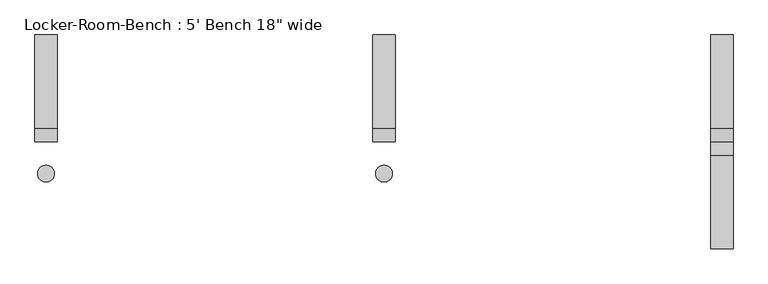
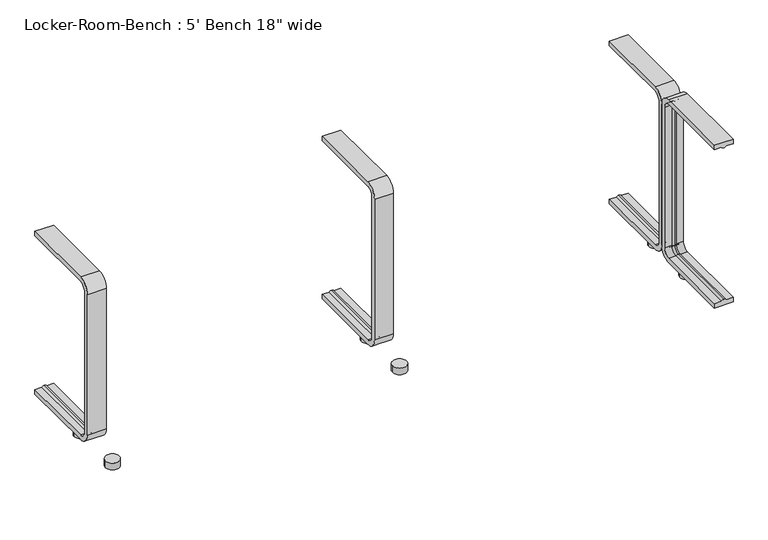
"""IFC4 building model written with IfcOpenShell, lengths in millimetres: proxy geometry."""

from ifc_helpers import new_model, si_unit, point, frame, frame_2d, origin, origin_with_axes, place, context, project, spatial, polyline, circle_curve, ellipse_curve, trimmed, segment, composite_curve, outline, extrude, source, transform, mapped, element, save
from ifc_brep_helpers import plane_surface, cylinder_surface, revolved_surface, advanced_brep


def proxy_36b13721(model_context):
    return source(origin(), model_context, "Body", "SolidModel", [
        extrude(outline(composite_curve([segment(trimmed(circle_curve(frame_2d((612.0, -57.5)), 15.0), [point((597.0, -57.5))], [point((627.0, -57.5))], False, "CARTESIAN"), True, "CONTINUOUS"), segment(trimmed(circle_curve(frame_2d((612.0, -57.5)), 15.0), [point((627.0, -57.5))], [point((597.0, -57.5))], False, "CARTESIAN"), True, "CONTINUOUS")], self_intersect=False)), origin_with_axes(), (0.0, 0.0, 1.0), 15.0),
        extrude(outline(composite_curve([segment(trimmed(circle_curve(frame_2d((612.0, 57.5)), 15.0), [point((597.0, 57.5))], [point((627.0, 57.5))], False, "CARTESIAN"), True, "CONTINUOUS"), segment(trimmed(circle_curve(frame_2d((612.0, 57.5)), 15.0), [point((627.0, 57.5))], [point((597.0, 57.5))], False, "CARTESIAN"), True, "CONTINUOUS")], self_intersect=False)), origin_with_axes(), (0.0, 0.0, 1.0), 15.0),
        extrude(outline(composite_curve([segment(trimmed(circle_curve(frame_2d((0.0, -57.5)), 15.0), [point((-15.0, -57.5))], [point((15.0, -57.5))], False, "CARTESIAN"), True, "CONTINUOUS"), segment(trimmed(circle_curve(frame_2d((0.0, -57.5)), 15.0), [point((15.0, -57.5))], [point((-15.0, -57.5))], False, "CARTESIAN"), True, "CONTINUOUS")], self_intersect=False)), origin_with_axes(), (0.0, 0.0, 1.0), 15.0),
        extrude(outline(composite_curve([segment(trimmed(circle_curve(frame_2d((0.0, 57.5)), 15.0), [point((-15.0, 57.5))], [point((15.0, 57.5))], False, "CARTESIAN"), True, "CONTINUOUS"), segment(trimmed(circle_curve(frame_2d((0.0, 57.5)), 15.0), [point((15.0, 57.5))], [point((-15.0, 57.5))], False, "CARTESIAN"), True, "CONTINUOUS")], self_intersect=False)), origin_with_axes(), (0.0, 0.0, 1.0), 15.0),
        extrude(outline(composite_curve([segment(trimmed(circle_curve(frame_2d((-612.0, -57.5)), 15.0), [point((-627.0, -57.5))], [point((-597.0, -57.5))], False, "CARTESIAN"), True, "CONTINUOUS"), segment(trimmed(circle_curve(frame_2d((-612.0, -57.5)), 15.0), [point((-597.0, -57.5))], [point((-627.0, -57.5))], False, "CARTESIAN"), True, "CONTINUOUS")], self_intersect=False)), origin_with_axes(), (0.0, 0.0, 1.0), 15.0),
        extrude(outline(composite_curve([segment(trimmed(circle_curve(frame_2d((-612.0, 57.5)), 15.0), [point((-627.0, 57.5))], [point((-597.0, 57.5))], False, "CARTESIAN"), True, "CONTINUOUS"), segment(trimmed(circle_curve(frame_2d((-612.0, 57.5)), 15.0), [point((-597.0, 57.5))], [point((-627.0, 57.5))], False, "CARTESIAN"), True, "CONTINUOUS")], self_intersect=False)), origin_with_axes(), (0.0, 0.0, 1.0), 15.0),
        advanced_brep(
        [(632.0, 193.6, 381.4), (632.0, 193.6, 371.4), (617.0, 193.6, 371.4), (612.0, 193.6, 369.0684617), (607.0, 193.6, 371.4), (592.0, 193.6, 371.4), (592.0, 193.6, 381.4), (632.0, 25.0, 381.4), (632.0, 0.0, 356.4), (632.0, 0.0, 40.0), (632.0, 25.0, 15.0), (632.0, 193.6, 15.0), (632.0, 193.6, 25.0), (632.0, 25.0, 25.0), (632.0, 10.0, 40.0), (632.0, 10.0, 356.4), (632.0, 25.0, 371.4), (617.0, 25.0, 371.4), (612.0, 25.0, 369.0684617), (607.0, 25.0, 371.4), (592.0, 25.0, 371.4), (592.0, 10.0, 356.4), (592.0, 10.0, 40.0), (592.0, 25.0, 25.0), (592.0, 193.6, 25.0), (592.0, 193.6, 15.0), (592.0, 25.0, 15.0), (592.0, 0.0, 40.0), (592.0, 0.0, 356.4), (592.0, 25.0, 381.4), (617.0, 10.0, 356.4), (612.0, 12.3315383, 356.4), (607.0, 10.0, 356.4), (617.0, 10.0, 40.0), (612.0, 12.3315383, 40.0), (607.0, 10.0, 40.0), (617.0, 25.0, 25.0), (612.0, 25.0, 27.3315383), (607.0, 25.0, 25.0), (607.0, 193.6, 25.0), (612.0, 193.6, 27.3315383), (617.0, 193.6, 25.0)],
        [
            (0, 1),
            (1, 2),
            (2, 3, circle_curve(frame((612.2996409, 193.6, 374.9529162), z_axis=(0.0, 1.0, 0.0), x_axis=(0.0, 0.0, -1.0)), 5.8920785)),
            (3, 4, circle_curve(frame((611.7003591, 193.6, 374.9529162), z_axis=(0.0, 1.0, 0.0), x_axis=(0.0, 0.0, -1.0)), 5.8920785)),
            (4, 5),
            (5, 6),
            (6, 0),
            (0, 7),
            (7, 8, circle_curve(frame((632.0, 25.0, 356.4), z_axis=(1.0, 0.0, 0.0), x_axis=(0.0, 0.0, 1.0)), 25.0)),
            (8, 9),
            (9, 10, circle_curve(frame((632.0, 25.0, 40.0), z_axis=(1.0, 0.0, 0.0), x_axis=(0.0, -1.0, 0.0)), 25.0)),
            (10, 11),
            (11, 12),
            (12, 13),
            (13, 14, circle_curve(frame((632.0, 25.0, 40.0), z_axis=(-1.0, 0.0, 0.0), x_axis=(0.0, -1.0, 0.0)), 15.0)),
            (14, 15),
            (15, 16, circle_curve(frame((632.0, 25.0, 356.4), z_axis=(-1.0, 0.0, 0.0), x_axis=(0.0, 0.0, 1.0)), 15.0)),
            (16, 1),
            (16, 17),
            (17, 2),
            (17, 18, circle_curve(frame((612.2996409, 25.0, 374.9529162), z_axis=(0.0, 1.0, 0.0), x_axis=(0.0, 0.0, -1.0)), 5.8920785)),
            (18, 3),
            (18, 19, circle_curve(frame((611.7003591, 25.0, 374.9529162), z_axis=(0.0, 1.0, 0.0), x_axis=(0.0, 0.0, -1.0)), 5.8920785)),
            (19, 4),
            (19, 20),
            (20, 5),
            (20, 21, circle_curve(frame((592.0, 25.0, 356.4), z_axis=(1.0, 0.0, 0.0), x_axis=(0.0, 0.0, 1.0)), 15.0)),
            (21, 22),
            (22, 23, circle_curve(frame((592.0, 25.0, 40.0), z_axis=(1.0, 0.0, 0.0), x_axis=(0.0, -1.0, 0.0)), 15.0)),
            (23, 24),
            (24, 25),
            (25, 26),
            (26, 27, circle_curve(frame((592.0, 25.0, 40.0), z_axis=(-1.0, 0.0, 0.0), x_axis=(0.0, -1.0, 0.0)), 25.0)),
            (27, 28),
            (28, 29, circle_curve(frame((592.0, 25.0, 356.4), z_axis=(-1.0, 0.0, 0.0), x_axis=(0.0, 0.0, 1.0)), 25.0)),
            (29, 6),
            (29, 7),
            (30, 17, circle_curve(frame((617.0, 25.0, 356.4), z_axis=(-1.0, 0.0, 0.0), x_axis=(0.0, 0.0, 1.0)), 15.0)),
            (15, 30),
            (31, 18, circle_curve(frame((612.0, 25.0, 356.4), z_axis=(-1.0, 0.0, 0.0), x_axis=(0.0, 0.0, 1.0)), 12.6684617)),
            (30, 31, circle_curve(frame((612.2996409, 6.4470838, 356.4), z_axis=(0.0, 0.0, 1.0), x_axis=(0.0, 1.0, 0.0)), 5.8920785)),
            (32, 19, circle_curve(frame((607.0, 25.0, 356.4), z_axis=(-1.0, 0.0, 0.0), x_axis=(0.0, 0.0, 1.0)), 15.0)),
            (31, 32, circle_curve(frame((611.7003591, 6.4470838, 356.4), z_axis=(0.0, 0.0, 1.0), x_axis=(0.0, 1.0, 0.0)), 5.8920785)),
            (32, 21),
            (28, 8),
            (14, 33),
            (33, 30),
            (33, 34, circle_curve(frame((612.2996409, 6.4470838, 40.0), z_axis=(0.0, 0.0, 1.0), x_axis=(0.0, 1.0, 0.0)), 5.8920785)),
            (34, 31),
            (34, 35, circle_curve(frame((611.7003591, 6.4470838, 40.0), z_axis=(0.0, 0.0, 1.0), x_axis=(0.0, 1.0, 0.0)), 5.8920785)),
            (35, 32),
            (35, 22),
            (27, 9),
            (36, 33, circle_curve(frame((617.0, 25.0, 40.0), z_axis=(-1.0, 0.0, 0.0), x_axis=(0.0, -1.0, 0.0)), 15.0)),
            (13, 36),
            (37, 34, circle_curve(frame((612.0, 25.0, 40.0), z_axis=(-1.0, 0.0, 0.0), x_axis=(0.0, -1.0, 0.0)), 12.6684617)),
            (36, 37, circle_curve(frame((612.2996409, 25.0, 21.4470838), z_axis=(0.0, -1.0, 0.0), x_axis=(0.0, 0.0, 1.0)), 5.8920785)),
            (38, 35, circle_curve(frame((607.0, 25.0, 40.0), z_axis=(-1.0, 0.0, 0.0), x_axis=(0.0, -1.0, 0.0)), 15.0)),
            (37, 38, circle_curve(frame((611.7003591, 25.0, 21.4470838), z_axis=(0.0, -1.0, 0.0), x_axis=(0.0, 0.0, 1.0)), 5.8920785)),
            (38, 23),
            (26, 10),
            (11, 25),
            (24, 39),
            (39, 40, circle_curve(frame((611.7003591, 193.6, 21.4470838), z_axis=(0.0, 1.0, 0.0), x_axis=(0.0, 0.0, 1.0)), 5.8920785)),
            (40, 41, circle_curve(frame((612.2996409, 193.6, 21.4470838), z_axis=(0.0, 1.0, 0.0), x_axis=(0.0, 0.0, 1.0)), 5.8920785)),
            (41, 12),
            (41, 36),
            (40, 37),
            (39, 38),
        ],
        [
            plane_surface(frame((612.0, 193.6, 381.4), z_axis=(0.0, 1.0, 0.0), x_axis=(1.0, 0.0, 0.0))),
            plane_surface(frame((632.0, 193.6, 381.4), z_axis=(1.0, 0.0, 0.0), x_axis=(0.0, -1.0, 0.0))),
            plane_surface(frame((632.0, 193.6, 371.4), z_axis=(0.0, 0.0, -1.0), x_axis=(0.0, -1.0, 0.0))),
            cylinder_surface(frame((612.2996409, 193.6, 374.9529162), z_axis=(0.0, 1.0, 0.0), x_axis=(0.0, 0.0, -1.0)), 5.8920785),
            cylinder_surface(frame((611.7003591, 193.6, 374.9529162), z_axis=(0.0, 1.0, 0.0), x_axis=(0.0, 0.0, -1.0)), 5.8920785),
            plane_surface(frame((607.0, 193.6, 371.4), z_axis=(0.0, 0.0, -1.0), x_axis=(0.0, -1.0, 0.0))),
            plane_surface(frame((592.0, 193.6, 371.4), z_axis=(-1.0, 0.0, 0.0), x_axis=(0.0, -1.0, 0.0))),
            plane_surface(frame((592.0, 193.6, 381.4), z_axis=(0.0, 0.0, 1.0), x_axis=(0.0, -1.0, 0.0))),
            revolved_surface(polyline([(632.0, 25.0, 371.4), (617.0, 25.0, 371.4)]), (612.0, 25.0, 356.4), (1.0, 0.0, 0.0)),
            revolved_surface(trimmed(ellipse_curve(frame((612.2996409, 25.0, 374.9529162), z_axis=(0.0, 1.0, 0.0), x_axis=(0.0, 0.0, -1.0)), 5.8920785, 5.8920785), [point((617.0, 25.0, 371.4))], [point((612.0, 25.0, 369.0684617))], True, "CARTESIAN"), (612.0, 25.0, 356.4), (1.0, 0.0, 0.0)),
            revolved_surface(trimmed(ellipse_curve(frame((611.7003591, 25.0, 374.9529162), z_axis=(0.0, 1.0, 0.0), x_axis=(0.0, 0.0, -1.0)), 5.8920785, 5.8920785), [point((612.0, 25.0, 369.0684617))], [point((607.0, 25.0, 371.4))], True, "CARTESIAN"), (612.0, 25.0, 356.4), (1.0, 0.0, 0.0)),
            revolved_surface(polyline([(607.0, 25.0, 371.4), (592.0, 25.0, 371.4)]), (612.0, 25.0, 356.4), (1.0, 0.0, 0.0)),
            cylinder_surface(frame((612.0, 25.0, 356.4), z_axis=(1.0, 0.0, 0.0), x_axis=(0.0, 0.0, 1.0)), 25.0),
            plane_surface(frame((632.0, 10.0, 356.4), z_axis=(0.0, 1.0, 0.0), x_axis=(0.0, 0.0, -1.0))),
            cylinder_surface(frame((612.2996409, 6.4470838, 356.4), z_axis=(0.0, 0.0, 1.0), x_axis=(0.0, 1.0, 0.0)), 5.8920785),
            cylinder_surface(frame((611.7003591, 6.4470838, 356.4), z_axis=(0.0, 0.0, 1.0), x_axis=(0.0, 1.0, 0.0)), 5.8920785),
            plane_surface(frame((607.0, 10.0, 356.4), z_axis=(0.0, 1.0, 0.0), x_axis=(0.0, 0.0, -1.0))),
            plane_surface(frame((592.0, 0.0, 356.4), z_axis=(0.0, -1.0, 0.0), x_axis=(0.0, 0.0, -1.0))),
            revolved_surface(polyline([(632.0, 10.0, 40.0), (617.0, 10.0, 40.0)]), (612.0, 25.0, 40.0), (1.0, 0.0, 0.0)),
            revolved_surface(trimmed(ellipse_curve(frame((612.2996409, 6.4470838, 40.0), z_axis=(0.0, 0.0, 1.0), x_axis=(0.0, 1.0, 0.0)), 5.8920785, 5.8920785), [point((617.0, 10.0, 40.0))], [point((612.0, 12.3315383, 40.0))], True, "CARTESIAN"), (612.0, 25.0, 40.0), (1.0, 0.0, 0.0)),
            revolved_surface(trimmed(ellipse_curve(frame((611.7003591, 6.4470838, 40.0), z_axis=(0.0, 0.0, 1.0), x_axis=(0.0, 1.0, 0.0)), 5.8920785, 5.8920785), [point((612.0, 12.3315383, 40.0))], [point((607.0, 10.0, 40.0))], True, "CARTESIAN"), (612.0, 25.0, 40.0), (1.0, 0.0, 0.0)),
            revolved_surface(polyline([(607.0, 10.0, 40.0), (592.0, 10.0, 40.0)]), (612.0, 25.0, 40.0), (1.0, 0.0, 0.0)),
            cylinder_surface(frame((612.0, 25.0, 40.0), z_axis=(1.0, 0.0, 0.0), x_axis=(0.0, -1.0, 0.0)), 25.0),
            plane_surface(frame((612.0, 193.6, 15.0), z_axis=(0.0, 1.0, 0.0), x_axis=(1.0, 0.0, 0.0))),
            plane_surface(frame((632.0, 25.0, 25.0), z_axis=(0.0, 0.0, 1.0), x_axis=(0.0, 1.0, 0.0))),
            cylinder_surface(frame((612.2996409, 25.0, 21.4470838), z_axis=(0.0, -1.0, 0.0), x_axis=(0.0, 0.0, 1.0)), 5.8920785),
            cylinder_surface(frame((611.7003591, 25.0, 21.4470838), z_axis=(0.0, -1.0, 0.0), x_axis=(0.0, 0.0, 1.0)), 5.8920785),
            plane_surface(frame((607.0, 25.0, 25.0), z_axis=(0.0, 0.0, 1.0), x_axis=(0.0, 1.0, 0.0))),
            plane_surface(frame((592.0, 25.0, 15.0), z_axis=(0.0, 0.0, -1.0), x_axis=(0.0, 1.0, 0.0))),
        ],
        [
            (0, [[1, 2, 3, 4, 5, 6, 7]]),
            (1, [[-1, 8, 9, 10, 11, 12, 13, 14, 15, 16, 17, 18]]),
            (2, [[-2, -18, 19, 20]]),
            (3, [[-3, -20, 21, 22]]),
            (4, [[-4, -22, 23, 24]]),
            (5, [[-5, -24, 25, 26]]),
            (6, [[-6, -26, 27, 28, 29, 30, 31, 32, 33, 34, 35, 36]]),
            (7, [[-7, -36, 37, -8]]),
            (8, [[38, -19, -17, 39]]),
            (9, [[40, -21, -38, 41]]),
            (10, [[42, -23, -40, 43]]),
            (11, [[-27, -25, -42, 44]]),
            (12, [[-9, -37, -35, 45]]),
            (13, [[-39, -16, 46, 47]]),
            (14, [[-41, -47, 48, 49]]),
            (15, [[-43, -49, 50, 51]]),
            (16, [[-44, -51, 52, -28]]),
            (17, [[-45, -34, 53, -10]]),
            (18, [[54, -46, -15, 55]]),
            (19, [[56, -48, -54, 57]]),
            (20, [[58, -50, -56, 59]]),
            (21, [[-29, -52, -58, 60]]),
            (22, [[-11, -53, -33, 61]]),
            (23, [[62, -31, 63, 64, 65, 66, -13]]),
            (24, [[-55, -14, -66, 67]]),
            (25, [[-57, -67, -65, 68]]),
            (26, [[-59, -68, -64, 69]]),
            (27, [[-60, -69, -63, -30]]),
            (28, [[-61, -32, -62, -12]]),
        ],
    ),
        advanced_brep(
        [(20.0, 193.6, 381.4), (20.0, 193.6, 371.4), (5.0, 193.6, 371.4), (0.0, 193.6, 369.0684617), (-5.0, 193.6, 371.4), (-20.0, 193.6, 371.4), (-20.0, 193.6, 381.4), (20.0, 25.0, 381.4), (20.0, 0.0, 356.4), (20.0, 0.0, 40.0), (20.0, 25.0, 15.0), (20.0, 193.6, 15.0), (20.0, 193.6, 25.0), (20.0, 25.0, 25.0), (20.0, 10.0, 40.0), (20.0, 10.0, 356.4), (20.0, 25.0, 371.4), (5.0, 25.0, 371.4), (0.0, 25.0, 369.0684617), (-5.0, 25.0, 371.4), (-20.0, 25.0, 371.4), (-20.0, 10.0, 356.4), (-20.0, 10.0, 40.0), (-20.0, 25.0, 25.0), (-20.0, 193.6, 25.0), (-20.0, 193.6, 15.0), (-20.0, 25.0, 15.0), (-20.0, 0.0, 40.0), (-20.0, 0.0, 356.4), (-20.0, 25.0, 381.4), (5.0, 10.0, 356.4), (0.0, 12.3315383, 356.4), (-5.0, 10.0, 356.4), (5.0, 10.0, 40.0), (0.0, 12.3315383, 40.0), (-5.0, 10.0, 40.0), (5.0, 25.0, 25.0), (0.0, 25.0, 27.3315383), (-5.0, 25.0, 25.0), (-5.0, 193.6, 25.0), (0.0, 193.6, 27.3315383), (5.0, 193.6, 25.0)],
        [
            (0, 1),
            (1, 2),
            (2, 3, circle_curve(frame((0.2996409, 193.6, 374.9529162), z_axis=(0.0, 1.0, 0.0), x_axis=(0.0, 0.0, -1.0)), 5.8920785)),
            (3, 4, circle_curve(frame((-0.2996409, 193.6, 374.9529162), z_axis=(0.0, 1.0, 0.0), x_axis=(0.0, 0.0, -1.0)), 5.8920785)),
            (4, 5),
            (5, 6),
            (6, 0),
            (0, 7),
            (7, 8, circle_curve(frame((20.0, 25.0, 356.4), z_axis=(1.0, 0.0, 0.0), x_axis=(0.0, 0.0, 1.0)), 25.0)),
            (8, 9),
            (9, 10, circle_curve(frame((20.0, 25.0, 40.0), z_axis=(1.0, 0.0, 0.0), x_axis=(0.0, -1.0, 0.0)), 25.0)),
            (10, 11),
            (11, 12),
            (12, 13),
            (13, 14, circle_curve(frame((20.0, 25.0, 40.0), z_axis=(-1.0, 0.0, 0.0), x_axis=(0.0, -1.0, 0.0)), 15.0)),
            (14, 15),
            (15, 16, circle_curve(frame((20.0, 25.0, 356.4), z_axis=(-1.0, 0.0, 0.0), x_axis=(0.0, 0.0, 1.0)), 15.0)),
            (16, 1),
            (16, 17),
            (17, 2),
            (17, 18, circle_curve(frame((0.2996409, 25.0, 374.9529162), z_axis=(0.0, 1.0, 0.0), x_axis=(0.0, 0.0, -1.0)), 5.8920785)),
            (18, 3),
            (18, 19, circle_curve(frame((-0.2996409, 25.0, 374.9529162), z_axis=(0.0, 1.0, 0.0), x_axis=(0.0, 0.0, -1.0)), 5.8920785)),
            (19, 4),
            (19, 20),
            (20, 5),
            (20, 21, circle_curve(frame((-20.0, 25.0, 356.4), z_axis=(1.0, 0.0, 0.0), x_axis=(0.0, 0.0, 1.0)), 15.0)),
            (21, 22),
            (22, 23, circle_curve(frame((-20.0, 25.0, 40.0), z_axis=(1.0, 0.0, 0.0), x_axis=(0.0, -1.0, 0.0)), 15.0)),
            (23, 24),
            (24, 25),
            (25, 26),
            (26, 27, circle_curve(frame((-20.0, 25.0, 40.0), z_axis=(-1.0, 0.0, 0.0), x_axis=(0.0, -1.0, 0.0)), 25.0)),
            (27, 28),
            (28, 29, circle_curve(frame((-20.0, 25.0, 356.4), z_axis=(-1.0, 0.0, 0.0), x_axis=(0.0, 0.0, 1.0)), 25.0)),
            (29, 6),
            (29, 7),
            (30, 17, circle_curve(frame((5.0, 25.0, 356.4), z_axis=(-1.0, 0.0, 0.0), x_axis=(0.0, 0.0, 1.0)), 15.0)),
            (15, 30),
            (31, 18, circle_curve(frame((0.0, 25.0, 356.4), z_axis=(-1.0, 0.0, 0.0), x_axis=(0.0, 0.0, 1.0)), 12.6684617)),
            (30, 31, circle_curve(frame((0.2996409, 6.4470838, 356.4), z_axis=(0.0, 0.0, 1.0), x_axis=(0.0, 1.0, 0.0)), 5.8920785)),
            (32, 19, circle_curve(frame((-5.0, 25.0, 356.4), z_axis=(-1.0, 0.0, 0.0), x_axis=(0.0, 0.0, 1.0)), 15.0)),
            (31, 32, circle_curve(frame((-0.2996409, 6.4470838, 356.4), z_axis=(0.0, 0.0, 1.0), x_axis=(0.0, 1.0, 0.0)), 5.8920785)),
            (32, 21),
            (28, 8),
            (14, 33),
            (33, 30),
            (33, 34, circle_curve(frame((0.2996409, 6.4470838, 40.0), z_axis=(0.0, 0.0, 1.0), x_axis=(0.0, 1.0, 0.0)), 5.8920785)),
            (34, 31),
            (34, 35, circle_curve(frame((-0.2996409, 6.4470838, 40.0), z_axis=(0.0, 0.0, 1.0), x_axis=(0.0, 1.0, 0.0)), 5.8920785)),
            (35, 32),
            (35, 22),
            (27, 9),
            (36, 33, circle_curve(frame((5.0, 25.0, 40.0), z_axis=(-1.0, 0.0, 0.0), x_axis=(0.0, -1.0, 0.0)), 15.0)),
            (13, 36),
            (37, 34, circle_curve(frame((0.0, 25.0, 40.0), z_axis=(-1.0, 0.0, 0.0), x_axis=(0.0, -1.0, 0.0)), 12.6684617)),
            (36, 37, circle_curve(frame((0.2996409, 25.0, 21.4470838), z_axis=(0.0, -1.0, 0.0), x_axis=(0.0, 0.0, 1.0)), 5.8920785)),
            (38, 35, circle_curve(frame((-5.0, 25.0, 40.0), z_axis=(-1.0, 0.0, 0.0), x_axis=(0.0, -1.0, 0.0)), 15.0)),
            (37, 38, circle_curve(frame((-0.2996409, 25.0, 21.4470838), z_axis=(0.0, -1.0, 0.0), x_axis=(0.0, 0.0, 1.0)), 5.8920785)),
            (38, 23),
            (26, 10),
            (11, 25),
            (24, 39),
            (39, 40, circle_curve(frame((-0.2996409, 193.6, 21.4470838), z_axis=(0.0, 1.0, 0.0), x_axis=(0.0, 0.0, 1.0)), 5.8920785)),
            (40, 41, circle_curve(frame((0.2996409, 193.6, 21.4470838), z_axis=(0.0, 1.0, 0.0), x_axis=(0.0, 0.0, 1.0)), 5.8920785)),
            (41, 12),
            (41, 36),
            (40, 37),
            (39, 38),
        ],
        [
            plane_surface(frame((0.0, 193.6, 381.4), z_axis=(0.0, 1.0, 0.0), x_axis=(1.0, 0.0, 0.0))),
            plane_surface(frame((20.0, 193.6, 381.4), z_axis=(1.0, 0.0, 0.0), x_axis=(0.0, -1.0, 0.0))),
            plane_surface(frame((20.0, 193.6, 371.4), z_axis=(0.0, 0.0, -1.0), x_axis=(0.0, -1.0, 0.0))),
            cylinder_surface(frame((0.2996409, 193.6, 374.9529162), z_axis=(0.0, 1.0, 0.0), x_axis=(0.0, 0.0, -1.0)), 5.8920785),
            cylinder_surface(frame((-0.2996409, 193.6, 374.9529162), z_axis=(0.0, 1.0, 0.0), x_axis=(0.0, 0.0, -1.0)), 5.8920785),
            plane_surface(frame((-5.0, 193.6, 371.4), z_axis=(0.0, 0.0, -1.0), x_axis=(0.0, -1.0, 0.0))),
            plane_surface(frame((-20.0, 193.6, 371.4), z_axis=(-1.0, 0.0, 0.0), x_axis=(0.0, -1.0, 0.0))),
            plane_surface(frame((-20.0, 193.6, 381.4), z_axis=(0.0, 0.0, 1.0), x_axis=(0.0, -1.0, 0.0))),
            revolved_surface(polyline([(20.0, 25.0, 371.4), (5.0, 25.0, 371.4)]), (0.0, 25.0, 356.4), (1.0, 0.0, 0.0)),
            revolved_surface(trimmed(ellipse_curve(frame((0.2996409, 25.0, 374.9529162), z_axis=(0.0, 1.0, 0.0), x_axis=(0.0, 0.0, -1.0)), 5.8920785, 5.8920785), [point((5.0, 25.0, 371.4))], [point((0.0, 25.0, 369.0684617))], True, "CARTESIAN"), (0.0, 25.0, 356.4), (1.0, 0.0, 0.0)),
            revolved_surface(trimmed(ellipse_curve(frame((-0.2996409, 25.0, 374.9529162), z_axis=(0.0, 1.0, 0.0), x_axis=(0.0, 0.0, -1.0)), 5.8920785, 5.8920785), [point((0.0, 25.0, 369.0684617))], [point((-5.0, 25.0, 371.4))], True, "CARTESIAN"), (0.0, 25.0, 356.4), (1.0, 0.0, 0.0)),
            revolved_surface(polyline([(-5.0, 25.0, 371.4), (-20.0, 25.0, 371.4)]), (0.0, 25.0, 356.4), (1.0, 0.0, 0.0)),
            cylinder_surface(frame((0.0, 25.0, 356.4), z_axis=(1.0, 0.0, 0.0), x_axis=(0.0, 0.0, 1.0)), 25.0),
            plane_surface(frame((20.0, 10.0, 356.4), z_axis=(0.0, 1.0, 0.0), x_axis=(0.0, 0.0, -1.0))),
            cylinder_surface(frame((0.2996409, 6.4470838, 356.4), z_axis=(0.0, 0.0, 1.0), x_axis=(0.0, 1.0, 0.0)), 5.8920785),
            cylinder_surface(frame((-0.2996409, 6.4470838, 356.4), z_axis=(0.0, 0.0, 1.0), x_axis=(0.0, 1.0, 0.0)), 5.8920785),
            plane_surface(frame((-5.0, 10.0, 356.4), z_axis=(0.0, 1.0, 0.0), x_axis=(0.0, 0.0, -1.0))),
            plane_surface(frame((-20.0, 0.0, 356.4), z_axis=(0.0, -1.0, 0.0), x_axis=(0.0, 0.0, -1.0))),
            revolved_surface(polyline([(20.0, 10.0, 40.0), (5.0, 10.0, 40.0)]), (0.0, 25.0, 40.0), (1.0, 0.0, 0.0)),
            revolved_surface(trimmed(ellipse_curve(frame((0.2996409, 6.4470838, 40.0), z_axis=(0.0, 0.0, 1.0), x_axis=(0.0, 1.0, 0.0)), 5.8920785, 5.8920785), [point((5.0, 10.0, 40.0))], [point((0.0, 12.3315383, 40.0))], True, "CARTESIAN"), (0.0, 25.0, 40.0), (1.0, 0.0, 0.0)),
            revolved_surface(trimmed(ellipse_curve(frame((-0.2996409, 6.4470838, 40.0), z_axis=(0.0, 0.0, 1.0), x_axis=(0.0, 1.0, 0.0)), 5.8920785, 5.8920785), [point((0.0, 12.3315383, 40.0))], [point((-5.0, 10.0, 40.0))], True, "CARTESIAN"), (0.0, 25.0, 40.0), (1.0, 0.0, 0.0)),
            revolved_surface(polyline([(-5.0, 10.0, 40.0), (-20.0, 10.0, 40.0)]), (0.0, 25.0, 40.0), (1.0, 0.0, 0.0)),
            cylinder_surface(frame((0.0, 25.0, 40.0), z_axis=(1.0, 0.0, 0.0), x_axis=(0.0, -1.0, 0.0)), 25.0),
            plane_surface(frame((0.0, 193.6, 15.0), z_axis=(0.0, 1.0, 0.0), x_axis=(1.0, 0.0, 0.0))),
            plane_surface(frame((20.0, 25.0, 25.0), z_axis=(0.0, 0.0, 1.0), x_axis=(0.0, 1.0, 0.0))),
            cylinder_surface(frame((0.2996409, 25.0, 21.4470838), z_axis=(0.0, -1.0, 0.0), x_axis=(0.0, 0.0, 1.0)), 5.8920785),
            cylinder_surface(frame((-0.2996409, 25.0, 21.4470838), z_axis=(0.0, -1.0, 0.0), x_axis=(0.0, 0.0, 1.0)), 5.8920785),
            plane_surface(frame((-5.0, 25.0, 25.0), z_axis=(0.0, 0.0, 1.0), x_axis=(0.0, 1.0, 0.0))),
            plane_surface(frame((-20.0, 25.0, 15.0), z_axis=(0.0, 0.0, -1.0), x_axis=(0.0, 1.0, 0.0))),
        ],
        [
            (0, [[1, 2, 3, 4, 5, 6, 7]]),
            (1, [[-1, 8, 9, 10, 11, 12, 13, 14, 15, 16, 17, 18]]),
            (2, [[-2, -18, 19, 20]]),
            (3, [[-3, -20, 21, 22]]),
            (4, [[-4, -22, 23, 24]]),
            (5, [[-5, -24, 25, 26]]),
            (6, [[-6, -26, 27, 28, 29, 30, 31, 32, 33, 34, 35, 36]]),
            (7, [[-7, -36, 37, -8]]),
            (8, [[38, -19, -17, 39]]),
            (9, [[40, -21, -38, 41]]),
            (10, [[42, -23, -40, 43]]),
            (11, [[-27, -25, -42, 44]]),
            (12, [[-9, -37, -35, 45]]),
            (13, [[-39, -16, 46, 47]]),
            (14, [[-41, -47, 48, 49]]),
            (15, [[-43, -49, 50, 51]]),
            (16, [[-44, -51, 52, -28]]),
            (17, [[-45, -34, 53, -10]]),
            (18, [[54, -46, -15, 55]]),
            (19, [[56, -48, -54, 57]]),
            (20, [[58, -50, -56, 59]]),
            (21, [[-29, -52, -58, 60]]),
            (22, [[-11, -53, -33, 61]]),
            (23, [[62, -31, 63, 64, 65, 66, -13]]),
            (24, [[-55, -14, -66, 67]]),
            (25, [[-57, -67, -65, 68]]),
            (26, [[-59, -68, -64, 69]]),
            (27, [[-60, -69, -63, -30]]),
            (28, [[-61, -32, -62, -12]]),
        ],
    ),
        advanced_brep(
        [(-592.0, 193.6, 381.4), (-592.0, 193.6, 371.4), (-607.0, 193.6, 371.4), (-612.0, 193.6, 369.0684617), (-617.0, 193.6, 371.4), (-632.0, 193.6, 371.4), (-632.0, 193.6, 381.4), (-592.0, 25.0, 381.4), (-592.0, 0.0, 356.4), (-592.0, 0.0, 40.0), (-592.0, 25.0, 15.0), (-592.0, 193.6, 15.0), (-592.0, 193.6, 25.0), (-592.0, 25.0, 25.0), (-592.0, 10.0, 40.0), (-592.0, 10.0, 356.4), (-592.0, 25.0, 371.4), (-607.0, 25.0, 371.4), (-612.0, 25.0, 369.0684617), (-617.0, 25.0, 371.4), (-632.0, 25.0, 371.4), (-632.0, 10.0, 356.4), (-632.0, 10.0, 40.0), (-632.0, 25.0, 25.0), (-632.0, 193.6, 25.0), (-632.0, 193.6, 15.0), (-632.0, 25.0, 15.0), (-632.0, 0.0, 40.0), (-632.0, 0.0, 356.4), (-632.0, 25.0, 381.4), (-607.0, 10.0, 356.4), (-612.0, 12.3315383, 356.4), (-617.0, 10.0, 356.4), (-607.0, 10.0, 40.0), (-612.0, 12.3315383, 40.0), (-617.0, 10.0, 40.0), (-607.0, 25.0, 25.0), (-612.0, 25.0, 27.3315383), (-617.0, 25.0, 25.0), (-617.0, 193.6, 25.0), (-612.0, 193.6, 27.3315383), (-607.0, 193.6, 25.0)],
        [
            (0, 1),
            (1, 2),
            (2, 3, circle_curve(frame((-611.7003591, 193.6, 374.9529162), z_axis=(0.0, 1.0, 0.0), x_axis=(0.0, 0.0, -1.0)), 5.8920785)),
            (3, 4, circle_curve(frame((-612.2996409, 193.6, 374.9529162), z_axis=(0.0, 1.0, 0.0), x_axis=(0.0, 0.0, -1.0)), 5.8920785)),
            (4, 5),
            (5, 6),
            (6, 0),
            (0, 7),
            (7, 8, circle_curve(frame((-592.0, 25.0, 356.4), z_axis=(1.0, 0.0, 0.0), x_axis=(0.0, 0.0, 1.0)), 25.0)),
            (8, 9),
            (9, 10, circle_curve(frame((-592.0, 25.0, 40.0), z_axis=(1.0, 0.0, 0.0), x_axis=(0.0, -1.0, 0.0)), 25.0)),
            (10, 11),
            (11, 12),
            (12, 13),
            (13, 14, circle_curve(frame((-592.0, 25.0, 40.0), z_axis=(-1.0, 0.0, 0.0), x_axis=(0.0, -1.0, 0.0)), 15.0)),
            (14, 15),
            (15, 16, circle_curve(frame((-592.0, 25.0, 356.4), z_axis=(-1.0, 0.0, 0.0), x_axis=(0.0, 0.0, 1.0)), 15.0)),
            (16, 1),
            (16, 17),
            (17, 2),
            (17, 18, circle_curve(frame((-611.7003591, 25.0, 374.9529162), z_axis=(0.0, 1.0, 0.0), x_axis=(0.0, 0.0, -1.0)), 5.8920785)),
            (18, 3),
            (18, 19, circle_curve(frame((-612.2996409, 25.0, 374.9529162), z_axis=(0.0, 1.0, 0.0), x_axis=(0.0, 0.0, -1.0)), 5.8920785)),
            (19, 4),
            (19, 20),
            (20, 5),
            (20, 21, circle_curve(frame((-632.0, 25.0, 356.4), z_axis=(1.0, 0.0, 0.0), x_axis=(0.0, 0.0, 1.0)), 15.0)),
            (21, 22),
            (22, 23, circle_curve(frame((-632.0, 25.0, 40.0), z_axis=(1.0, 0.0, 0.0), x_axis=(0.0, -1.0, 0.0)), 15.0)),
            (23, 24),
            (24, 25),
            (25, 26),
            (26, 27, circle_curve(frame((-632.0, 25.0, 40.0), z_axis=(-1.0, 0.0, 0.0), x_axis=(0.0, -1.0, 0.0)), 25.0)),
            (27, 28),
            (28, 29, circle_curve(frame((-632.0, 25.0, 356.4), z_axis=(-1.0, 0.0, 0.0), x_axis=(0.0, 0.0, 1.0)), 25.0)),
            (29, 6),
            (29, 7),
            (30, 17, circle_curve(frame((-607.0, 25.0, 356.4), z_axis=(-1.0, 0.0, 0.0), x_axis=(0.0, 0.0, 1.0)), 15.0)),
            (15, 30),
            (31, 18, circle_curve(frame((-612.0, 25.0, 356.4), z_axis=(-1.0, 0.0, 0.0), x_axis=(0.0, 0.0, 1.0)), 12.6684617)),
            (30, 31, circle_curve(frame((-611.7003591, 6.4470838, 356.4), z_axis=(0.0, 0.0, 1.0), x_axis=(0.0, 1.0, 0.0)), 5.8920785)),
            (32, 19, circle_curve(frame((-617.0, 25.0, 356.4), z_axis=(-1.0, 0.0, 0.0), x_axis=(0.0, 0.0, 1.0)), 15.0)),
            (31, 32, circle_curve(frame((-612.2996409, 6.4470838, 356.4), z_axis=(0.0, 0.0, 1.0), x_axis=(0.0, 1.0, 0.0)), 5.8920785)),
            (32, 21),
            (28, 8),
            (14, 33),
            (33, 30),
            (33, 34, circle_curve(frame((-611.7003591, 6.4470838, 40.0), z_axis=(0.0, 0.0, 1.0), x_axis=(0.0, 1.0, 0.0)), 5.8920785)),
            (34, 31),
            (34, 35, circle_curve(frame((-612.2996409, 6.4470838, 40.0), z_axis=(0.0, 0.0, 1.0), x_axis=(0.0, 1.0, 0.0)), 5.8920785)),
            (35, 32),
            (35, 22),
            (27, 9),
            (36, 33, circle_curve(frame((-607.0, 25.0, 40.0), z_axis=(-1.0, 0.0, 0.0), x_axis=(0.0, -1.0, 0.0)), 15.0)),
            (13, 36),
            (37, 34, circle_curve(frame((-612.0, 25.0, 40.0), z_axis=(-1.0, 0.0, 0.0), x_axis=(0.0, -1.0, 0.0)), 12.6684617)),
            (36, 37, circle_curve(frame((-611.7003591, 25.0, 21.4470838), z_axis=(0.0, -1.0, 0.0), x_axis=(0.0, 0.0, 1.0)), 5.8920785)),
            (38, 35, circle_curve(frame((-617.0, 25.0, 40.0), z_axis=(-1.0, 0.0, 0.0), x_axis=(0.0, -1.0, 0.0)), 15.0)),
            (37, 38, circle_curve(frame((-612.2996409, 25.0, 21.4470838), z_axis=(0.0, -1.0, 0.0), x_axis=(0.0, 0.0, 1.0)), 5.8920785)),
            (38, 23),
            (26, 10),
            (11, 25),
            (24, 39),
            (39, 40, circle_curve(frame((-612.2996409, 193.6, 21.4470838), z_axis=(0.0, 1.0, 0.0), x_axis=(0.0, 0.0, 1.0)), 5.8920785)),
            (40, 41, circle_curve(frame((-611.7003591, 193.6, 21.4470838), z_axis=(0.0, 1.0, 0.0), x_axis=(0.0, 0.0, 1.0)), 5.8920785)),
            (41, 12),
            (41, 36),
            (40, 37),
            (39, 38),
        ],
        [
            plane_surface(frame((-612.0, 193.6, 381.4), z_axis=(0.0, 1.0, 0.0), x_axis=(1.0, 0.0, 0.0))),
            plane_surface(frame((-592.0, 193.6, 381.4), z_axis=(1.0, 0.0, 0.0), x_axis=(0.0, -1.0, 0.0))),
            plane_surface(frame((-592.0, 193.6, 371.4), z_axis=(0.0, 0.0, -1.0), x_axis=(0.0, -1.0, 0.0))),
            cylinder_surface(frame((-611.7003591, 193.6, 374.9529162), z_axis=(0.0, 1.0, 0.0), x_axis=(0.0, 0.0, -1.0)), 5.8920785),
            cylinder_surface(frame((-612.2996409, 193.6, 374.9529162), z_axis=(0.0, 1.0, 0.0), x_axis=(0.0, 0.0, -1.0)), 5.8920785),
            plane_surface(frame((-617.0, 193.6, 371.4), z_axis=(0.0, 0.0, -1.0), x_axis=(0.0, -1.0, 0.0))),
            plane_surface(frame((-632.0, 193.6, 371.4), z_axis=(-1.0, 0.0, 0.0), x_axis=(0.0, -1.0, 0.0))),
            plane_surface(frame((-632.0, 193.6, 381.4), z_axis=(0.0, 0.0, 1.0), x_axis=(0.0, -1.0, 0.0))),
            revolved_surface(polyline([(-592.0, 25.0, 371.4), (-607.0, 25.0, 371.4)]), (-612.0, 25.0, 356.4), (1.0, 0.0, 0.0)),
            revolved_surface(trimmed(ellipse_curve(frame((-611.7003591, 25.0, 374.9529162), z_axis=(0.0, 1.0, 0.0), x_axis=(0.0, 0.0, -1.0)), 5.8920785, 5.8920785), [point((-607.0, 25.0, 371.4))], [point((-612.0, 25.0, 369.0684617))], True, "CARTESIAN"), (-612.0, 25.0, 356.4), (1.0, 0.0, 0.0)),
            revolved_surface(trimmed(ellipse_curve(frame((-612.2996409, 25.0, 374.9529162), z_axis=(0.0, 1.0, 0.0), x_axis=(0.0, 0.0, -1.0)), 5.8920785, 5.8920785), [point((-612.0, 25.0, 369.0684617))], [point((-617.0, 25.0, 371.4))], True, "CARTESIAN"), (-612.0, 25.0, 356.4), (1.0, 0.0, 0.0)),
            revolved_surface(polyline([(-617.0, 25.0, 371.4), (-632.0, 25.0, 371.4)]), (-612.0, 25.0, 356.4), (1.0, 0.0, 0.0)),
            cylinder_surface(frame((-612.0, 25.0, 356.4), z_axis=(1.0, 0.0, 0.0), x_axis=(0.0, 0.0, 1.0)), 25.0),
            plane_surface(frame((-592.0, 10.0, 356.4), z_axis=(0.0, 1.0, 0.0), x_axis=(0.0, 0.0, -1.0))),
            cylinder_surface(frame((-611.7003591, 6.4470838, 356.4), z_axis=(0.0, 0.0, 1.0), x_axis=(0.0, 1.0, 0.0)), 5.8920785),
            cylinder_surface(frame((-612.2996409, 6.4470838, 356.4), z_axis=(0.0, 0.0, 1.0), x_axis=(0.0, 1.0, 0.0)), 5.8920785),
            plane_surface(frame((-617.0, 10.0, 356.4), z_axis=(0.0, 1.0, 0.0), x_axis=(0.0, 0.0, -1.0))),
            plane_surface(frame((-632.0, 0.0, 356.4), z_axis=(0.0, -1.0, 0.0), x_axis=(0.0, 0.0, -1.0))),
            revolved_surface(polyline([(-592.0, 10.0, 40.0), (-607.0, 10.0, 40.0)]), (-612.0, 25.0, 40.0), (1.0, 0.0, 0.0)),
            revolved_surface(trimmed(ellipse_curve(frame((-611.7003591, 6.4470838, 40.0), z_axis=(0.0, 0.0, 1.0), x_axis=(0.0, 1.0, 0.0)), 5.8920785, 5.8920785), [point((-607.0, 10.0, 40.0))], [point((-612.0, 12.3315383, 40.0))], True, "CARTESIAN"), (-612.0, 25.0, 40.0), (1.0, 0.0, 0.0)),
            revolved_surface(trimmed(ellipse_curve(frame((-612.2996409, 6.4470838, 40.0), z_axis=(0.0, 0.0, 1.0), x_axis=(0.0, 1.0, 0.0)), 5.8920785, 5.8920785), [point((-612.0, 12.3315383, 40.0))], [point((-617.0, 10.0, 40.0))], True, "CARTESIAN"), (-612.0, 25.0, 40.0), (1.0, 0.0, 0.0)),
            revolved_surface(polyline([(-617.0, 10.0, 40.0), (-632.0, 10.0, 40.0)]), (-612.0, 25.0, 40.0), (1.0, 0.0, 0.0)),
            cylinder_surface(frame((-612.0, 25.0, 40.0), z_axis=(1.0, 0.0, 0.0), x_axis=(0.0, -1.0, 0.0)), 25.0),
            plane_surface(frame((-612.0, 193.6, 15.0), z_axis=(0.0, 1.0, 0.0), x_axis=(1.0, 0.0, 0.0))),
            plane_surface(frame((-592.0, 25.0, 25.0), z_axis=(0.0, 0.0, 1.0), x_axis=(0.0, 1.0, 0.0))),
            cylinder_surface(frame((-611.7003591, 25.0, 21.4470838), z_axis=(0.0, -1.0, 0.0), x_axis=(0.0, 0.0, 1.0)), 5.8920785),
            cylinder_surface(frame((-612.2996409, 25.0, 21.4470838), z_axis=(0.0, -1.0, 0.0), x_axis=(0.0, 0.0, 1.0)), 5.8920785),
            plane_surface(frame((-617.0, 25.0, 25.0), z_axis=(0.0, 0.0, 1.0), x_axis=(0.0, 1.0, 0.0))),
            plane_surface(frame((-632.0, 25.0, 15.0), z_axis=(0.0, 0.0, -1.0), x_axis=(0.0, 1.0, 0.0))),
        ],
        [
            (0, [[1, 2, 3, 4, 5, 6, 7]]),
            (1, [[-1, 8, 9, 10, 11, 12, 13, 14, 15, 16, 17, 18]]),
            (2, [[-2, -18, 19, 20]]),
            (3, [[-3, -20, 21, 22]]),
            (4, [[-4, -22, 23, 24]]),
            (5, [[-5, -24, 25, 26]]),
            (6, [[-6, -26, 27, 28, 29, 30, 31, 32, 33, 34, 35, 36]]),
            (7, [[-7, -36, 37, -8]]),
            (8, [[38, -19, -17, 39]]),
            (9, [[40, -21, -38, 41]]),
            (10, [[42, -23, -40, 43]]),
            (11, [[-27, -25, -42, 44]]),
            (12, [[-9, -37, -35, 45]]),
            (13, [[-39, -16, 46, 47]]),
            (14, [[-41, -47, 48, 49]]),
            (15, [[-43, -49, 50, 51]]),
            (16, [[-44, -51, 52, -28]]),
            (17, [[-45, -34, 53, -10]]),
            (18, [[54, -46, -15, 55]]),
            (19, [[56, -48, -54, 57]]),
            (20, [[58, -50, -56, 59]]),
            (21, [[-29, -52, -58, 60]]),
            (22, [[-11, -53, -33, 61]]),
            (23, [[62, -31, 63, 64, 65, 66, -13]]),
            (24, [[-55, -14, -66, 67]]),
            (25, [[-57, -67, -65, 68]]),
            (26, [[-59, -68, -64, 69]]),
            (27, [[-60, -69, -63, -30]]),
            (28, [[-61, -32, -62, -12]]),
        ],
    ),
        advanced_brep(
        [(632.0, -193.6, 381.4), (592.0, -193.6, 381.4), (592.0, -193.6, 371.4), (607.0, -193.6, 371.4), (612.0, -193.6, 369.0684617), (617.0, -193.6, 371.4), (632.0, -193.6, 371.4), (632.0, -25.0, 381.4), (592.0, -25.0, 381.4), (592.0, 0.0, 356.4), (592.0, 0.0, 40.0), (592.0, -25.0, 15.0), (592.0, -193.6, 15.0), (592.0, -193.6, 25.0), (592.0, -25.0, 25.0), (592.0, -10.0, 40.0), (592.0, -10.0, 356.4), (592.0, -25.0, 371.4), (607.0, -25.0, 371.4), (612.0, -25.0, 369.0684617), (617.0, -25.0, 371.4), (632.0, -25.0, 371.4), (632.0, -10.0, 356.4), (632.0, -10.0, 40.0), (632.0, -25.0, 25.0), (632.0, -193.6, 25.0), (632.0, -193.6, 15.0), (632.0, -25.0, 15.0), (632.0, 0.0, 40.0), (632.0, 0.0, 356.4), (607.0, -10.0, 356.4), (612.0, -12.3315383, 356.4), (617.0, -10.0, 356.4), (607.0, -10.0, 40.0), (612.0, -12.3315383, 40.0), (617.0, -10.0, 40.0), (607.0, -25.0, 25.0), (612.0, -25.0, 27.3315383), (617.0, -25.0, 25.0), (617.0, -193.6, 25.0), (612.0, -193.6, 27.3315383), (607.0, -193.6, 25.0)],
        [
            (0, 1),
            (1, 2),
            (2, 3),
            (3, 4, circle_curve(frame((611.7003591, -193.6, 374.9529162), z_axis=(0.0, -1.0, 0.0), x_axis=(0.0, 0.0, 1.0)), 5.8920785)),
            (4, 5, circle_curve(frame((612.2996409, -193.6, 374.9529162), z_axis=(0.0, -1.0, 0.0), x_axis=(0.0, 0.0, 1.0)), 5.8920785)),
            (5, 6),
            (6, 0),
            (0, 7),
            (7, 8),
            (8, 1),
            (8, 9, circle_curve(frame((592.0, -25.0, 356.4), z_axis=(-1.0, 0.0, 0.0), x_axis=(0.0, 0.0, 1.0)), 25.0)),
            (9, 10),
            (10, 11, circle_curve(frame((592.0, -25.0, 40.0), z_axis=(-1.0, 0.0, 0.0), x_axis=(0.0, 1.0, 0.0)), 25.0)),
            (11, 12),
            (12, 13),
            (13, 14),
            (14, 15, circle_curve(frame((592.0, -25.0, 40.0), z_axis=(1.0, 0.0, 0.0), x_axis=(0.0, 1.0, 0.0)), 15.0)),
            (15, 16),
            (16, 17, circle_curve(frame((592.0, -25.0, 356.4), z_axis=(1.0, 0.0, 0.0), x_axis=(0.0, 0.0, 1.0)), 15.0)),
            (17, 2),
            (17, 18),
            (18, 3),
            (18, 19, circle_curve(frame((611.7003591, -25.0, 374.9529162), z_axis=(0.0, -1.0, 0.0), x_axis=(0.0, 0.0, 1.0)), 5.8920785)),
            (19, 4),
            (19, 20, circle_curve(frame((612.2996409, -25.0, 374.9529162), z_axis=(0.0, -1.0, 0.0), x_axis=(0.0, 0.0, 1.0)), 5.8920785)),
            (20, 5),
            (20, 21),
            (21, 6),
            (21, 22, circle_curve(frame((632.0, -25.0, 356.4), z_axis=(-1.0, 0.0, 0.0), x_axis=(0.0, 0.0, 1.0)), 15.0)),
            (22, 23),
            (23, 24, circle_curve(frame((632.0, -25.0, 40.0), z_axis=(-1.0, 0.0, 0.0), x_axis=(0.0, 1.0, 0.0)), 15.0)),
            (24, 25),
            (25, 26),
            (26, 27),
            (27, 28, circle_curve(frame((632.0, -25.0, 40.0), z_axis=(1.0, 0.0, 0.0), x_axis=(0.0, 1.0, 0.0)), 25.0)),
            (28, 29),
            (29, 7, circle_curve(frame((632.0, -25.0, 356.4), z_axis=(1.0, 0.0, 0.0), x_axis=(0.0, 0.0, 1.0)), 25.0)),
            (29, 9),
            (30, 18, circle_curve(frame((607.0, -25.0, 356.4), z_axis=(1.0, 0.0, 0.0), x_axis=(0.0, 0.0, 1.0)), 15.0)),
            (16, 30),
            (31, 19, circle_curve(frame((612.0, -25.0, 356.4), z_axis=(1.0, 0.0, 0.0), x_axis=(0.0, 0.0, 1.0)), 12.6684617)),
            (30, 31, circle_curve(frame((611.7003591, -6.4470838, 356.4), z_axis=(0.0, 0.0, 1.0), x_axis=(0.0, 1.0, 0.0)), 5.8920785)),
            (32, 20, circle_curve(frame((617.0, -25.0, 356.4), z_axis=(1.0, 0.0, 0.0), x_axis=(0.0, 0.0, 1.0)), 15.0)),
            (31, 32, circle_curve(frame((612.2996409, -6.4470838, 356.4), z_axis=(0.0, 0.0, 1.0), x_axis=(0.0, 1.0, 0.0)), 5.8920785)),
            (32, 22),
            (28, 10),
            (15, 33),
            (33, 30),
            (33, 34, circle_curve(frame((611.7003591, -6.4470838, 40.0), z_axis=(0.0, 0.0, 1.0), x_axis=(0.0, 1.0, 0.0)), 5.8920785)),
            (34, 31),
            (34, 35, circle_curve(frame((612.2996409, -6.4470838, 40.0), z_axis=(0.0, 0.0, 1.0), x_axis=(0.0, 1.0, 0.0)), 5.8920785)),
            (35, 32),
            (35, 23),
            (27, 11),
            (36, 33, circle_curve(frame((607.0, -25.0, 40.0), z_axis=(1.0, 0.0, 0.0), x_axis=(0.0, 1.0, 0.0)), 15.0)),
            (14, 36),
            (37, 34, circle_curve(frame((612.0, -25.0, 40.0), z_axis=(1.0, 0.0, 0.0), x_axis=(0.0, 1.0, 0.0)), 12.6684617)),
            (36, 37, circle_curve(frame((611.7003591, -25.0, 21.4470838), z_axis=(0.0, 1.0, 0.0), x_axis=(0.0, 0.0, -1.0)), 5.8920785)),
            (38, 35, circle_curve(frame((617.0, -25.0, 40.0), z_axis=(1.0, 0.0, 0.0), x_axis=(0.0, 1.0, 0.0)), 15.0)),
            (37, 38, circle_curve(frame((612.2996409, -25.0, 21.4470838), z_axis=(0.0, 1.0, 0.0), x_axis=(0.0, 0.0, -1.0)), 5.8920785)),
            (38, 24),
            (25, 39),
            (39, 40, circle_curve(frame((612.2996409, -193.6, 21.4470838), z_axis=(0.0, -1.0, 0.0), x_axis=(0.0, 0.0, -1.0)), 5.8920785)),
            (40, 41, circle_curve(frame((611.7003591, -193.6, 21.4470838), z_axis=(0.0, -1.0, 0.0), x_axis=(0.0, 0.0, -1.0)), 5.8920785)),
            (41, 13),
            (12, 26),
            (41, 36),
            (40, 37),
            (39, 38),
        ],
        [
            plane_surface(frame((612.0, -193.6, 381.4), z_axis=(0.0, -1.0, 0.0), x_axis=(1.0, 0.0, 0.0))),
            plane_surface(frame((632.0, -193.6, 381.4), z_axis=(0.0, 0.0, 1.0), x_axis=(0.0, 1.0, 0.0))),
            plane_surface(frame((592.0, -193.6, 381.4), z_axis=(-1.0, 0.0, 0.0), x_axis=(0.0, 1.0, 0.0))),
            plane_surface(frame((592.0, -193.6, 371.4), z_axis=(0.0, 0.0, -1.0), x_axis=(0.0, 1.0, 0.0))),
            cylinder_surface(frame((611.7003591, -193.6, 374.9529162), z_axis=(0.0, -1.0, 0.0), x_axis=(0.0, 0.0, 1.0)), 5.8920785),
            cylinder_surface(frame((612.2996409, -193.6, 374.9529162), z_axis=(0.0, -1.0, 0.0), x_axis=(0.0, 0.0, 1.0)), 5.8920785),
            plane_surface(frame((617.0, -193.6, 371.4), z_axis=(0.0, 0.0, -1.0), x_axis=(0.0, 1.0, 0.0))),
            plane_surface(frame((632.0, -193.6, 371.4), z_axis=(1.0, 0.0, 0.0), x_axis=(0.0, 1.0, 0.0))),
            cylinder_surface(frame((612.0, -25.0, 356.4), z_axis=(-1.0, 0.0, 0.0), x_axis=(0.0, 0.0, 1.0)), 25.0),
            revolved_surface(polyline([(592.0, -25.0, 371.4), (607.0, -25.0, 371.4)]), (612.0, -25.0, 356.4), (-1.0, 0.0, 0.0)),
            revolved_surface(trimmed(ellipse_curve(frame((611.7003591, -25.0, 374.9529162), z_axis=(0.0, -1.0, 0.0), x_axis=(0.0, 0.0, 1.0)), 5.8920785, 5.8920785), [point((607.0, -25.0, 371.4))], [point((612.0, -25.0, 369.0684617))], True, "CARTESIAN"), (612.0, -25.0, 356.4), (-1.0, 0.0, 0.0)),
            revolved_surface(trimmed(ellipse_curve(frame((612.2996409, -25.0, 374.9529162), z_axis=(0.0, -1.0, 0.0), x_axis=(0.0, 0.0, 1.0)), 5.8920785, 5.8920785), [point((612.0, -25.0, 369.0684617))], [point((617.0, -25.0, 371.4))], True, "CARTESIAN"), (612.0, -25.0, 356.4), (-1.0, 0.0, 0.0)),
            revolved_surface(polyline([(617.0, -25.0, 371.4), (632.0, -25.0, 371.4)]), (612.0, -25.0, 356.4), (-1.0, 0.0, 0.0)),
            plane_surface(frame((632.0, 0.0, 356.4), z_axis=(0.0, 1.0, 0.0), x_axis=(0.0, 0.0, -1.0))),
            plane_surface(frame((592.0, -10.0, 356.4), z_axis=(0.0, -1.0, 0.0), x_axis=(0.0, 0.0, -1.0))),
            cylinder_surface(frame((611.7003591, -6.4470838, 356.4), z_axis=(0.0, 0.0, 1.0), x_axis=(0.0, 1.0, 0.0)), 5.8920785),
            cylinder_surface(frame((612.2996409, -6.4470838, 356.4), z_axis=(0.0, 0.0, 1.0), x_axis=(0.0, 1.0, 0.0)), 5.8920785),
            plane_surface(frame((617.0, -10.0, 356.4), z_axis=(0.0, -1.0, 0.0), x_axis=(0.0, 0.0, -1.0))),
            cylinder_surface(frame((612.0, -25.0, 40.0), z_axis=(-1.0, 0.0, 0.0), x_axis=(0.0, 1.0, 0.0)), 25.0),
            revolved_surface(polyline([(592.0, -10.0, 40.0), (607.0, -10.0, 40.0)]), (612.0, -25.0, 40.0), (-1.0, 0.0, 0.0)),
            revolved_surface(trimmed(ellipse_curve(frame((611.7003591, -6.4470838, 40.0), z_axis=(0.0, 0.0, 1.0), x_axis=(0.0, 1.0, 0.0)), 5.8920785, 5.8920785), [point((607.0, -10.0, 40.0))], [point((612.0, -12.3315383, 40.0))], True, "CARTESIAN"), (612.0, -25.0, 40.0), (-1.0, 0.0, 0.0)),
            revolved_surface(trimmed(ellipse_curve(frame((612.2996409, -6.4470838, 40.0), z_axis=(0.0, 0.0, 1.0), x_axis=(0.0, 1.0, 0.0)), 5.8920785, 5.8920785), [point((612.0, -12.3315383, 40.0))], [point((617.0, -10.0, 40.0))], True, "CARTESIAN"), (612.0, -25.0, 40.0), (-1.0, 0.0, 0.0)),
            revolved_surface(polyline([(617.0, -10.0, 40.0), (632.0, -10.0, 40.0)]), (612.0, -25.0, 40.0), (-1.0, 0.0, 0.0)),
            plane_surface(frame((612.0, -193.6, 15.0), z_axis=(0.0, -1.0, 0.0), x_axis=(1.0, 0.0, 0.0))),
            plane_surface(frame((632.0, -25.0, 15.0), z_axis=(0.0, 0.0, -1.0), x_axis=(0.0, -1.0, 0.0))),
            plane_surface(frame((592.0, -25.0, 25.0), z_axis=(0.0, 0.0, 1.0), x_axis=(0.0, -1.0, 0.0))),
            cylinder_surface(frame((611.7003591, -25.0, 21.4470838), z_axis=(0.0, 1.0, 0.0), x_axis=(0.0, 0.0, -1.0)), 5.8920785),
            cylinder_surface(frame((612.2996409, -25.0, 21.4470838), z_axis=(0.0, 1.0, 0.0), x_axis=(0.0, 0.0, -1.0)), 5.8920785),
            plane_surface(frame((617.0, -25.0, 25.0), z_axis=(0.0, 0.0, 1.0), x_axis=(0.0, -1.0, 0.0))),
        ],
        [
            (0, [[1, 2, 3, 4, 5, 6, 7]]),
            (1, [[-1, 8, 9, 10]]),
            (2, [[-2, -10, 11, 12, 13, 14, 15, 16, 17, 18, 19, 20]]),
            (3, [[-3, -20, 21, 22]]),
            (4, [[-4, -22, 23, 24]]),
            (5, [[-5, -24, 25, 26]]),
            (6, [[-6, -26, 27, 28]]),
            (7, [[-7, -28, 29, 30, 31, 32, 33, 34, 35, 36, 37, -8]]),
            (8, [[-11, -9, -37, 38]]),
            (9, [[39, -21, -19, 40]]),
            (10, [[41, -23, -39, 42]]),
            (11, [[43, -25, -41, 44]]),
            (12, [[-29, -27, -43, 45]]),
            (13, [[-38, -36, 46, -12]]),
            (14, [[-40, -18, 47, 48]]),
            (15, [[-42, -48, 49, 50]]),
            (16, [[-44, -50, 51, 52]]),
            (17, [[-45, -52, 53, -30]]),
            (18, [[-13, -46, -35, 54]]),
            (19, [[55, -47, -17, 56]]),
            (20, [[57, -49, -55, 58]]),
            (21, [[59, -51, -57, 60]]),
            (22, [[-31, -53, -59, 61]]),
            (23, [[-33, 62, 63, 64, 65, -15, 66]]),
            (24, [[-54, -34, -66, -14]]),
            (25, [[-56, -16, -65, 67]]),
            (26, [[-58, -67, -64, 68]]),
            (27, [[-60, -68, -63, 69]]),
            (28, [[-61, -69, -62, -32]]),
        ],
    ),
    ])


if __name__ == "__main__":
    model = new_model("IFC4")
    model_context = context("Model", 3, world=origin())
    ifc_project = project(units=[si_unit("LENGTHUNIT", "METRE", prefix="MILLI")], contexts=[model_context])
    site = spatial("IfcSite", under=ifc_project)
    building = spatial("IfcBuilding", under=site)
    placement = place(None, origin())
    proxy_shape = proxy_36b13721(model_context)
    element("IfcBuildingElementProxy", 1, Name="Locker-Room-Bench : 5' Bench 18\" wide", ObjectType="Locker-Room-Bench : 5' Bench 18\" wide", at=placement, inside=building, context=model_context, shape_type="MappedRepresentation", body=[
        mapped(proxy_shape, transform((0.0, 0.0, 0.0), x_axis=(1.0, 0.0, 0.0), y_axis=(0.0, 1.0, 0.0), z_axis=(0.0, 0.0, 1.0))),
    ])
    save(model, "model.ifc")
